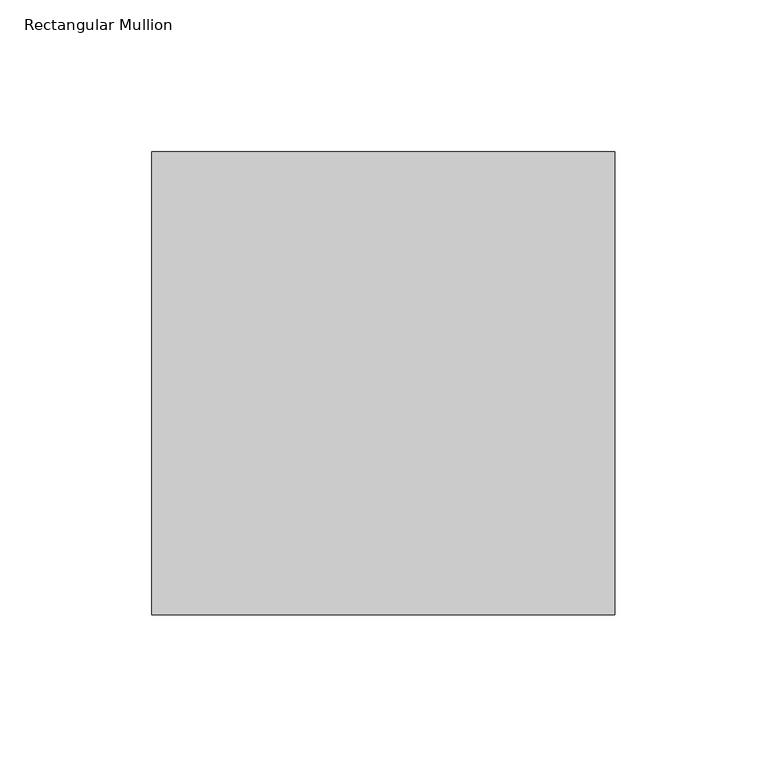
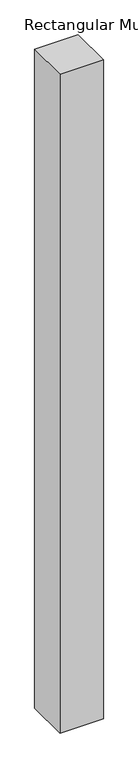
"""IFC4 building model written with IfcOpenShell, lengths in millimetres: member geometry, Rectangular Mullion."""

from ifc_helpers import new_model, si_unit, frame, origin, place, context, project, spatial, polyline, outline, extrude, source, transform, mapped, element, save


def rectangular_mullion_5d2125ae(model_context):
    return source(origin(), model_context, "Body", "SweptSolid", [
        extrude(outline(polyline([(-152.4, -76.2), (-152.4, 76.2), (0.0, 76.2), (0.0, -76.2), (-152.4, -76.2)])), frame((0.0, 0.0, -2438.4), z_axis=(0.0, 0.0, 1.0), x_axis=(1.0, 0.0, 0.0)), (0.0, 0.0, 1.0), 2438.4),
    ])


if __name__ == "__main__":
    model = new_model("IFC4")
    model_context = context("Model", 3, world=origin())
    ifc_project = project(units=[si_unit("LENGTHUNIT", "METRE", prefix="MILLI")], contexts=[model_context])
    site = spatial("IfcSite", under=ifc_project)
    building = spatial("IfcBuilding", under=site)
    placement = place(None, origin())
    rectangular_mullion_shape = rectangular_mullion_5d2125ae(model_context)
    element("IfcMember", 1, ObjectType="Rectangular Mullion", at=placement, inside=building, context=model_context, shape_type="MappedRepresentation", body=[
        mapped(rectangular_mullion_shape, transform((0.0, 0.0, 0.0), x_axis=(1.0, 0.0, 0.0), y_axis=(0.0, 1.0, 0.0), z_axis=(0.0, 0.0, 1.0))),
    ])
    save(model, "model.ifc")
